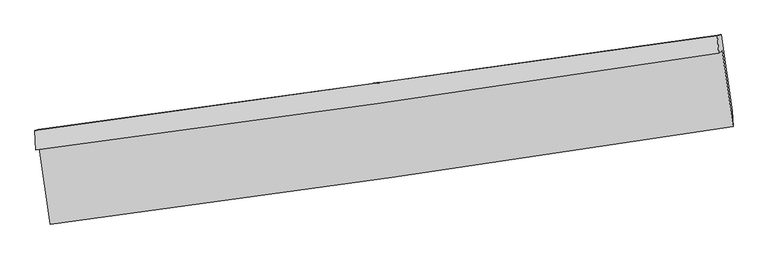
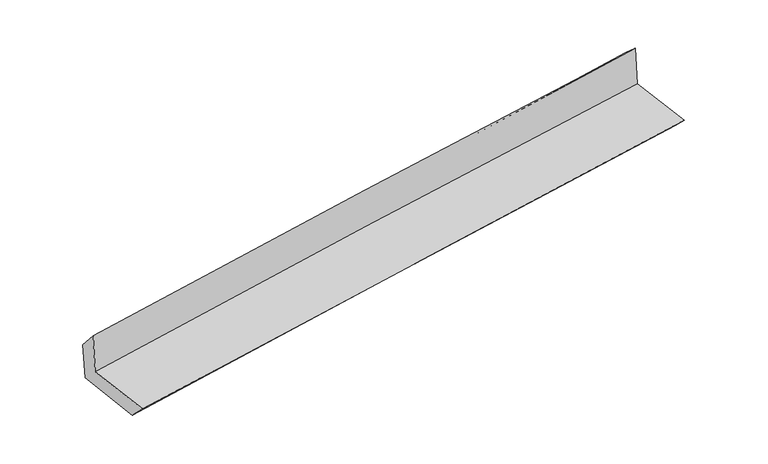
"""IFC4 building model written with IfcOpenShell, lengths in millimetres: proxy geometry."""

from ifc_helpers import new_model, si_unit, frame, origin, place, context, project, spatial, source, transform, mapped, element, save
from ifc_brep_helpers import plane_surface, spline_curve, spline_surface, advanced_brep


def generic_models_ec3a53dd(model_context):
    return source(origin(), model_context, "Body", "AdvancedBrep", [
        advanced_brep(
        [(-2989.1452239, -1919.8518104, 1672.7237665), (-2895.5323927, -2584.0483441, 1648.2058826), (3035.9155955, -1735.3334577, 2124.3762716), (2941.6535465, -1075.9942657, 2141.0418008), (-3020.867305, -1939.3080027, 2078.6781193), (2910.0625559, -1095.3700559, 2545.3185587), (-3027.5963052, -1767.6564957, 1878.9443132), (2900.3766247, -942.7757306, 2406.2908304), (-2997.7424959, -1762.675561, 1518.5745152), (2931.8987486, -937.5174917, 2026.2437517), (-2904.6467122, -2415.4975347, 1481.6607131), (3028.475325, -1600.8195507, 1988.8872034)],
        [
            (0, 1),
            (1, 2, spline_curve(3, [(-2895.5323927, -2584.0483441, 1648.2058826), (-1906.190950375, -2454.40906429, 1738.024644911), (-917.272986324, -2318.869404113, 1822.612095091), (1059.876480609, -2035.96635815, 1981.337257271), (2048.107846117, -1888.601056306, 2055.473269672), (3035.9155955, -1735.3334577, 2124.3762716)], [4, 2, 4], [0.0, 9.858306673202387, 19.71821397818076])),
            (2, 3),
            (3, 0, spline_curve(3, [(2941.6535465, -1075.9942657, 2141.0418008), (1952.821078643, -1227.341764034, 2084.678058422), (964.131505958, -1373.34224972, 2017.465635623), (-1012.801370855, -1654.62636196, 1861.356102414), (-2001.044721887, -1789.911724735, 1772.462513651), (-2989.1452239, -1919.8518104, 1672.7237665)], [4, 2, 4], [0.0, 9.859907304978373, 19.71821397818076])),
            (4, 0),
            (3, 5),
            (5, 4, spline_curve(3, [(2910.0625559, -1095.3700559, 2545.3185587), (1921.382111557, -1246.624313475, 2487.009339878), (932.757618518, -1392.584883469, 2418.964080407), (-1044.218983865, -1673.895814034, 2263.414106608), (-2032.571110724, -1809.247892589, 2175.912552767), (-3020.867305, -1939.3080027, 2078.6781193)], [4, 2, 4], [0.0, 9.858540834972338, 19.715481259997887])),
            (6, 4),
            (5, 7),
            (7, 6, spline_curve(3, [(2900.3766247, -942.7757306, 2406.2908304), (1912.682725793, -1081.885150229, 2317.148870039), (924.797916412, -1220.18543794, 2228.628830126), (-1051.193122163, -1495.145430102, 2052.846859827), (-2039.299289279, -1631.805397314, 1965.584727431), (-3027.5963052, -1767.6564957, 1878.9443132)], [4, 2, 4], [0.0, 9.857350993474945, 19.713101770158882])),
            (8, 6),
            (7, 9),
            (9, 8, spline_curve(3, [(2931.8987486, -937.5174917, 2026.2437517), (1943.100985348, -1076.810907903, 1950.344822088), (954.525239422, -1215.226299353, 1870.08579928), (-1022.021769842, -1490.278703787, 1700.861304968), (-2009.993105532, -1626.91600255, 1611.897248739), (-2997.7424959, -1762.675561, 1518.5745152)], [4, 2, 4], [0.0, 9.85689900409374, 19.71219786477126])),
            (10, 8),
            (9, 11),
            (11, 10, spline_curve(3, [(3028.475325, -1600.8195507, 1988.8872034), (2039.110859568, -1738.338324833, 1913.064969259), (1049.961672585, -1874.992984999, 1832.881192693), (-927.74560302, -2146.552032316, 1663.804279775), (-1916.303761817, -2281.456700363, 1574.912559671), (-2904.6467122, -2415.4975347, 1481.6607131)], [4, 2, 4], [0.0, 9.858604764198642, 19.71560910807239])),
            (1, 10),
            (11, 2),
        ],
        [
            spline_surface(3, 3, [[(-2989.1452239, -1919.8518104, 1672.7237665), (-2001.044721795, -1789.911724661, 1772.462513495), (-1012.801370982, -1654.626362013, 1861.356102307), (964.131506086, -1373.342249667, 2017.46563573), (1952.821078755, -1227.341764105, 2084.678058387), (2941.6535465, -1075.9942657, 2141.0418008)], [(-2957.940946832, -2141.250654961, 1664.551138538), (-1969.426797977, -2011.41083788, 1760.983223936), (-980.958576101, -1876.040709379, 1848.441433294), (996.046497577, -1594.216952495, 2005.422842871), (1984.583334488, -1447.761528158, 2074.943128842), (2973.074229481, -1295.773996375, 2135.486624418)], [(-2926.736669768, -2362.649499539, 1656.378510562), (-1937.808874163, -2232.909951117, 1749.503934363), (-949.115781187, -2097.455056746, 1835.526764251), (1027.9614891, -1815.091655324, 1993.380049982), (2016.345590277, -1668.181292186, 2065.208199241), (3004.494912519, -1515.553727025, 2129.931447982)], [(-2895.5323927, -2584.0483441, 1648.2058826), (-1906.190950345, -2454.409064336, 1738.024644804), (-917.272986306, -2318.869404111, 1822.612095238), (1059.876480591, -2035.966358151, 1981.337257123), (2048.10784601, -1888.601056239, 2055.473269696), (3035.9155955, -1735.3334577, 2124.3762716)]], [4, 4], [4, 2, 4], [0.0, 2.2025452964500087], [0.0, 9.858306673202387, 19.71821397818076]),
            spline_surface(3, 3, [[(-3020.867305, -1939.3080027, 2078.6781193), (-2032.571110864, -1809.247892622, 2175.912552926), (-1044.218983753, -1673.895813941, 2263.414106535), (932.757618406, -1392.584883563, 2418.96408048), (1921.382111548, -1246.624313375, 2487.009339962), (2910.0625559, -1095.3700559, 2545.3185587)], [(-3010.293277942, -1932.822605251, 1943.360001717), (-2022.062314483, -1802.802503286, 2041.429206466), (-1033.746446172, -1667.472663316, 2129.394771808), (943.215580956, -1386.170672282, 2285.131265578), (1931.861767277, -1240.196796957, 2352.898912749), (2920.592886093, -1088.911459171, 2410.559639378)], [(-2999.719250958, -1926.337207849, 1808.041884083), (-2011.553518177, -1796.357113996, 1906.945859956), (-1023.273908563, -1661.049512638, 1995.375437034), (953.673543535, -1379.756460948, 2151.298450631), (1942.341423026, -1233.769280524, 2218.788485601), (2931.123216307, -1082.452862429, 2275.800720122)], [(-2989.1452239, -1919.8518104, 1672.7237665), (-2001.044721795, -1789.911724661, 1772.462513495), (-1012.801370982, -1654.626362013, 1861.356102307), (964.131506086, -1373.342249667, 2017.46563573), (1952.821078755, -1227.341764105, 2084.678058387), (2941.6535465, -1075.9942657, 2141.0418008)]], [4, 4], [4, 2, 4], [0.0, 1.3236966966287056], [0.0, 9.856940425025549, 19.715481259997887]),
            spline_surface(3, 3, [[(-3027.5963052, -1767.6564957, 1878.9443132), (-2039.299289372, -1631.805397449, 1965.584727284), (-1051.193122176, -1495.145430203, 2052.846859731), (924.797916425, -1220.185437839, 2228.628830222), (1912.682725885, -1081.88515008, 2317.148870182), (2900.3766247, -942.7757306, 2406.2908304)], [(-3025.353305159, -1824.873664706, 1945.522248544), (-2037.056563228, -1690.952895846, 2035.694002475), (-1048.868409351, -1554.728891423, 2123.035941995), (927.451150436, -1277.651919721, 2292.073913637), (1915.582521116, -1136.7982045, 2373.769026777), (2903.605268443, -993.640505688, 2452.633406502)], [(-3023.110305041, -1882.090833694, 2012.100183956), (-2034.813837008, -1750.100394225, 2105.803277735), (-1046.543696578, -1614.312352721, 2193.225024271), (930.104384395, -1335.118401681, 2355.518997064), (1918.482316317, -1191.711258955, 2430.389183367), (2906.833912157, -1044.505280812, 2498.975982598)], [(-3020.867305, -1939.3080027, 2078.6781193), (-2032.571110864, -1809.247892622, 2175.912552926), (-1044.218983753, -1673.895813941, 2263.414106535), (932.757618406, -1392.584883563, 2418.96408048), (1921.382111548, -1246.624313375, 2487.009339962), (2910.0625559, -1095.3700559, 2545.3185587)]], [4, 4], [4, 2, 4], [0.0, 0.8745895233099825], [0.0, 9.855750776683937, 19.713101770158882]),
            spline_surface(3, 3, [[(-2997.7424959, -1762.675561, 1518.5745152), (-2009.993105639, -1626.916002478, 1611.89724881), (-1022.021769926, -1490.278703934, 1700.861304949), (954.525239506, -1215.226299207, 1870.085799298), (1943.100985273, -1076.810908004, 1950.344821956), (2931.8987486, -937.5174917, 2026.2437517)], [(-3007.693765641, -1764.33587257, 1638.697781221), (-2019.761833525, -1628.545800806, 1729.79307499), (-1031.745554025, -1491.900946044, 1818.189823194), (944.616131797, -1216.879345439, 1989.600142924), (1932.961565481, -1078.502322028, 2072.612838031), (2921.391373971, -939.270237999, 2152.926111266)], [(-3017.645035459, -1765.99618413, 1758.821047179), (-2029.530561487, -1630.175599122, 1847.688901105), (-1041.469338076, -1493.523188093, 1935.518341486), (934.707024135, -1218.532391607, 2109.114486596), (1922.822145677, -1080.193736056, 2194.880854107), (2910.883999329, -941.022984301, 2279.608470834)], [(-3027.5963052, -1767.6564957, 1878.9443132), (-2039.299289372, -1631.805397449, 1965.584727284), (-1051.193122176, -1495.145430203, 2052.846859731), (924.797916425, -1220.185437839, 2228.628830222), (1912.682725885, -1081.88515008, 2317.148870182), (2900.3766247, -942.7757306, 2406.2908304)]], [4, 4], [4, 2, 4], [0.0, 1.1696757852171253], [0.0, 9.855298860677518, 19.71219786477126]),
            spline_surface(3, 3, [[(-2904.6467122, -2415.4975347, 1481.6607131), (-1916.303761976, -2281.456700379, 1574.912559645), (-927.74560313, -2146.552032397, 1663.804279866), (1049.961672696, -1874.992984918, 1832.881192602), (2039.110859618, -1738.338324925, 1913.064969145), (3028.475325, -1600.8195507, 1988.8872034)], [(-2935.678640123, -2197.890210125, 1493.965313792), (-1947.53354322, -2063.276467737, 1587.240789359), (-959.170992053, -1927.794256249, 1676.156621561), (1018.149528309, -1655.070756354, 1845.282728167), (2007.107568174, -1517.829185946, 1925.491586759), (2996.28313287, -1379.718864362, 2001.339386176)], [(-2966.710567977, -1980.282885575, 1506.269914508), (-1978.763324395, -1845.09623512, 1599.569019096), (-990.596381003, -1709.036480081, 1688.508963255), (986.337383894, -1435.148527771, 1857.684263733), (1975.104276718, -1297.320046983, 1937.918204343), (2964.09094073, -1158.618178038, 2013.791568924)], [(-2997.7424959, -1762.675561, 1518.5745152), (-2009.993105639, -1626.916002478, 1611.89724881), (-1022.021769926, -1490.278703934, 1700.861304949), (954.525239506, -1215.226299207, 1870.085799298), (1943.100985273, -1076.810908004, 1950.344821956), (2931.8987486, -937.5174917, 2026.2437517)]], [4, 4], [4, 2, 4], [0.0, 2.184574132885553], [0.0, 9.857004343873747, 19.71560910807239]),
            spline_surface(3, 3, [[(-2895.5323927, -2584.0483441, 1648.2058826), (-1906.190950345, -2454.409064336, 1738.024644804), (-917.272986306, -2318.869404111, 1822.612095238), (1059.876480591, -2035.966358151, 1981.337257123), (2048.10784601, -1888.601056239, 2055.473269696), (3035.9155955, -1735.3334577, 2124.3762716)], [(-2898.570499204, -2527.864740986, 1592.690826088), (-1909.561887559, -2396.75827637, 1683.653949739), (-920.763858572, -2261.430280188, 1769.676156775), (1056.571544636, -1982.308567055, 1931.851902277), (2045.108850554, -1838.513479139, 2008.003836172), (3033.435505341, -1690.495488705, 2079.213248859)], [(-2901.608605696, -2471.681137814, 1537.175769612), (-1912.932824762, -2339.107488345, 1629.28325471), (-924.254730865, -2203.991156321, 1716.740218329), (1053.266608652, -1928.650776014, 1882.366547448), (2042.109855074, -1788.425902024, 1960.53440267), (3030.955415159, -1645.657519695, 2034.050226141)], [(-2904.6467122, -2415.4975347, 1481.6607131), (-1916.303761976, -2281.456700379, 1574.912559645), (-927.74560313, -2146.552032397, 1663.804279866), (1049.961672696, -1874.992984918, 1832.881192602), (2039.110859618, -1738.338324925, 1913.064969145), (3028.475325, -1600.8195507, 1988.8872034)]], [4, 4], [4, 2, 4], [0.0, 0.7443733280622495], [0.0, 9.859027855459955, 19.71965645978976]),
            plane_surface(frame((2958.0637327, -1231.3017587, 2205.3597361), z_axis=(0.9867498823244327, 0.13895284669328614, 0.08376619920081507), x_axis=(-0.08265098733009396, -0.013787098798418005, 0.9964831810924274))),
            plane_surface(frame((-2972.5884058, -2064.8396248, 1713.1312183), z_axis=(-0.9871641798988078, -0.1360442027821548, -0.08365917053188021), x_axis=(-0.13946897456447688, 0.9895524819552832, 0.036527942592926785))),
        ],
        [
            (0, [[1, 2, 3, 4]]),
            (1, [[5, -4, 6, 7]]),
            (2, [[8, -7, 9, 10]]),
            (3, [[11, -10, 12, 13]]),
            (4, [[14, -13, 15, 16]]),
            (5, [[17, -16, 18, -2]]),
            (6, [[-12, -9, -6, -3, -18, -15]]),
            (7, [[-1, -5, -8, -11, -14, -17]]),
        ],
    ),
    ])


if __name__ == "__main__":
    model = new_model("IFC4")
    model_context = context("Model", 3, world=origin())
    ifc_project = project(units=[si_unit("LENGTHUNIT", "METRE", prefix="MILLI")], contexts=[model_context])
    site = spatial("IfcSite", under=ifc_project)
    building = spatial("IfcBuilding", under=site)
    placement = place(None, origin())
    generic_models_shape = generic_models_ec3a53dd(model_context)
    element("IfcBuildingElementProxy", 1, Name="Generic Models", at=placement, inside=building, context=model_context, shape_type="MappedRepresentation", body=[
        mapped(generic_models_shape, transform((0.0, 0.0, 0.0), x_axis=(1.0, 0.0, 0.0), y_axis=(0.0, 1.0, 0.0), z_axis=(0.0, 0.0, 1.0))),
    ])
    save(model, "model.ifc")
